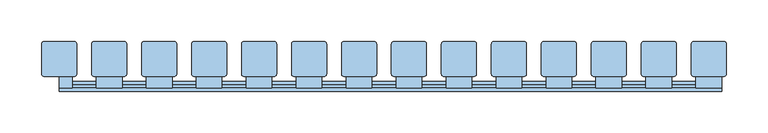
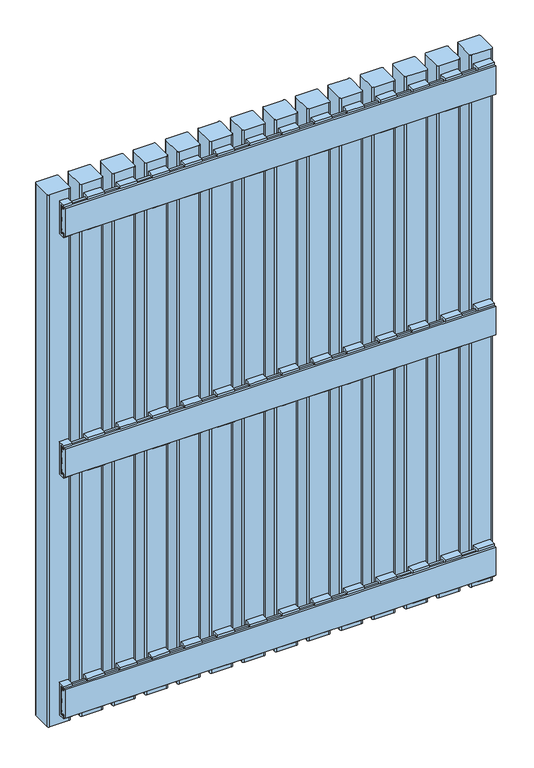
"""IFC4 building model written with IfcOpenShell, lengths in millimetres: window geometry."""

from ifc_helpers import new_model, si_unit, point, frame, frame_2d, origin, place, context, project, spatial, polyline, circle_curve, trimmed, segment, composite_curve, outline, extrude, source, transform, mapped, element, save


def window_754ff068(model_context):
    return source(origin(), model_context, "Body", "SweptSolid", [
        extrude(outline(polyline([(32.2, 646.5936804), (28.0, 646.5936804), (28.0, 642.5936804), (24.2, 642.5936804), (24.2, 650.5), (38.1, 650.5), (38.1, 587.5), (24.2, 587.5), (24.2, 595.4063196), (28.0, 595.4063196), (28.0, 591.4063196), (32.2, 591.4063196), (32.2, 646.5936804)])), frame((284.5, 0.0, 0.0), z_axis=(1.0, 0.0, 0.0), x_axis=(0.0, 1.0, 0.0)), (0.0, 0.0, 1.0), 31.0),
        extrude(outline(polyline([(32.1, 1060.9063196), (32.1, 1116.0936804), (27.9, 1116.0936804), (27.9, 1112.0936804), (24.1, 1112.0936804), (24.1, 1120.0), (38.0, 1120.0), (38.0, 1057.0), (24.1, 1057.0), (24.1, 1064.9063196), (27.9, 1064.9063196), (27.9, 1060.9063196), (32.1, 1060.9063196)])), frame((284.5, 0.0, 0.0), z_axis=(1.0, 0.0, 0.0), x_axis=(0.0, 1.0, 0.0)), (0.0, 0.0, 1.0), 31.0),
        extrude(outline(polyline([(32.1, 177.0936804), (27.9, 177.0936804), (27.9, 173.0936804), (24.1, 173.0936804), (24.1, 181.0), (38.0, 181.0), (38.0, 118.0), (24.1, 118.0), (24.1, 125.9063196), (27.9, 125.9063196), (27.9, 121.9063196), (32.1, 121.9063196), (32.1, 177.0936804)])), frame((284.5, 0.0, 0.0), z_axis=(1.0, 0.0, 0.0), x_axis=(0.0, 1.0, 0.0)), (0.0, 0.0, 1.0), 31.0),
        extrude(outline(polyline([(32.2, 646.5936804), (28.0, 646.5936804), (28.0, 642.5936804), (24.2, 642.5936804), (24.2, 650.5), (38.1, 650.5), (38.1, 587.5), (24.2, 587.5), (24.2, 595.4063196), (28.0, 595.4063196), (28.0, 591.4063196), (32.2, 591.4063196), (32.2, 646.5936804)])), frame((224.5, 0.0, 0.0), z_axis=(1.0, 0.0, 0.0), x_axis=(0.0, 1.0, 0.0)), (0.0, 0.0, 1.0), 31.0),
        extrude(outline(polyline([(32.1, 1060.9063196), (32.1, 1116.0936804), (27.9, 1116.0936804), (27.9, 1112.0936804), (24.1, 1112.0936804), (24.1, 1120.0), (38.0, 1120.0), (38.0, 1057.0), (24.1, 1057.0), (24.1, 1064.9063196), (27.9, 1064.9063196), (27.9, 1060.9063196), (32.1, 1060.9063196)])), frame((224.5, 0.0, 0.0), z_axis=(1.0, 0.0, 0.0), x_axis=(0.0, 1.0, 0.0)), (0.0, 0.0, 1.0), 31.0),
        extrude(outline(polyline([(32.1, 177.0936804), (27.9, 177.0936804), (27.9, 173.0936804), (24.1, 173.0936804), (24.1, 181.0), (38.0, 181.0), (38.0, 118.0), (24.1, 118.0), (24.1, 125.9063196), (27.9, 125.9063196), (27.9, 121.9063196), (32.1, 121.9063196), (32.1, 177.0936804)])), frame((224.5, 0.0, 0.0), z_axis=(1.0, 0.0, 0.0), x_axis=(0.0, 1.0, 0.0)), (0.0, 0.0, 1.0), 31.0),
        extrude(outline(polyline([(32.2, 646.5936804), (28.0, 646.5936804), (28.0, 642.5936804), (24.2, 642.5936804), (24.2, 650.5), (38.1, 650.5), (38.1, 587.5), (24.2, 587.5), (24.2, 595.4063196), (28.0, 595.4063196), (28.0, 591.4063196), (32.2, 591.4063196), (32.2, 646.5936804)])), frame((164.5, 0.0, 0.0), z_axis=(1.0, 0.0, 0.0), x_axis=(0.0, 1.0, 0.0)), (0.0, 0.0, 1.0), 31.0),
        extrude(outline(polyline([(32.1, 1060.9063196), (32.1, 1116.0936804), (27.9, 1116.0936804), (27.9, 1112.0936804), (24.1, 1112.0936804), (24.1, 1120.0), (38.0, 1120.0), (38.0, 1057.0), (24.1, 1057.0), (24.1, 1064.9063196), (27.9, 1064.9063196), (27.9, 1060.9063196), (32.1, 1060.9063196)])), frame((164.5, 0.0, 0.0), z_axis=(1.0, 0.0, 0.0), x_axis=(0.0, 1.0, 0.0)), (0.0, 0.0, 1.0), 31.0),
        extrude(outline(polyline([(32.1, 177.0936804), (27.9, 177.0936804), (27.9, 173.0936804), (24.1, 173.0936804), (24.1, 181.0), (38.0, 181.0), (38.0, 118.0), (24.1, 118.0), (24.1, 125.9063196), (27.9, 125.9063196), (27.9, 121.9063196), (32.1, 121.9063196), (32.1, 177.0936804)])), frame((164.5, 0.0, 0.0), z_axis=(1.0, 0.0, 0.0), x_axis=(0.0, 1.0, 0.0)), (0.0, 0.0, 1.0), 31.0),
        extrude(outline(polyline([(32.2, 646.5936804), (28.0, 646.5936804), (28.0, 642.5936804), (24.2, 642.5936804), (24.2, 650.5), (38.1, 650.5), (38.1, 587.5), (24.2, 587.5), (24.2, 595.4063196), (28.0, 595.4063196), (28.0, 591.4063196), (32.2, 591.4063196), (32.2, 646.5936804)])), frame((104.5, 0.0, 0.0), z_axis=(1.0, 0.0, 0.0), x_axis=(0.0, 1.0, 0.0)), (0.0, 0.0, 1.0), 31.0),
        extrude(outline(polyline([(32.1, 1060.9063196), (32.1, 1116.0936804), (27.9, 1116.0936804), (27.9, 1112.0936804), (24.1, 1112.0936804), (24.1, 1120.0), (38.0, 1120.0), (38.0, 1057.0), (24.1, 1057.0), (24.1, 1064.9063196), (27.9, 1064.9063196), (27.9, 1060.9063196), (32.1, 1060.9063196)])), frame((104.5, 0.0, 0.0), z_axis=(1.0, 0.0, 0.0), x_axis=(0.0, 1.0, 0.0)), (0.0, 0.0, 1.0), 31.0),
        extrude(outline(polyline([(32.1, 177.0936804), (27.9, 177.0936804), (27.9, 173.0936804), (24.1, 173.0936804), (24.1, 181.0), (38.0, 181.0), (38.0, 118.0), (24.1, 118.0), (24.1, 125.9063196), (27.9, 125.9063196), (27.9, 121.9063196), (32.1, 121.9063196), (32.1, 177.0936804)])), frame((104.5, 0.0, 0.0), z_axis=(1.0, 0.0, 0.0), x_axis=(0.0, 1.0, 0.0)), (0.0, 0.0, 1.0), 31.0),
        extrude(outline(polyline([(32.2, 646.5936804), (28.0, 646.5936804), (28.0, 642.5936804), (24.2, 642.5936804), (24.2, 650.5), (38.1, 650.5), (38.1, 587.5), (24.2, 587.5), (24.2, 595.4063196), (28.0, 595.4063196), (28.0, 591.4063196), (32.2, 591.4063196), (32.2, 646.5936804)])), frame((44.5, 0.0, 0.0), z_axis=(1.0, 0.0, 0.0), x_axis=(0.0, 1.0, 0.0)), (0.0, 0.0, 1.0), 31.0),
        extrude(outline(polyline([(32.1, 1060.9063196), (32.1, 1116.0936804), (27.9, 1116.0936804), (27.9, 1112.0936804), (24.1, 1112.0936804), (24.1, 1120.0), (38.0, 1120.0), (38.0, 1057.0), (24.1, 1057.0), (24.1, 1064.9063196), (27.9, 1064.9063196), (27.9, 1060.9063196), (32.1, 1060.9063196)])), frame((44.5, 0.0, 0.0), z_axis=(1.0, 0.0, 0.0), x_axis=(0.0, 1.0, 0.0)), (0.0, 0.0, 1.0), 31.0),
        extrude(outline(polyline([(32.1, 177.0936804), (27.9, 177.0936804), (27.9, 173.0936804), (24.1, 173.0936804), (24.1, 181.0), (38.0, 181.0), (38.0, 118.0), (24.1, 118.0), (24.1, 125.9063196), (27.9, 125.9063196), (27.9, 121.9063196), (32.1, 121.9063196), (32.1, 177.0936804)])), frame((44.5, 0.0, 0.0), z_axis=(1.0, 0.0, 0.0), x_axis=(0.0, 1.0, 0.0)), (0.0, 0.0, 1.0), 31.0),
        extrude(outline(polyline([(32.2, 646.5936804), (28.0, 646.5936804), (28.0, 642.5936804), (24.2, 642.5936804), (24.2, 650.5), (38.1, 650.5), (38.1, 587.5), (24.2, 587.5), (24.2, 595.4063196), (28.0, 595.4063196), (28.0, 591.4063196), (32.2, 591.4063196), (32.2, 646.5936804)])), frame((-15.5, 0.0, 0.0), z_axis=(1.0, 0.0, 0.0), x_axis=(0.0, 1.0, 0.0)), (0.0, 0.0, 1.0), 31.0),
        extrude(outline(polyline([(32.1, 1060.9063196), (32.1, 1116.0936804), (27.9, 1116.0936804), (27.9, 1112.0936804), (24.1, 1112.0936804), (24.1, 1120.0), (38.0, 1120.0), (38.0, 1057.0), (24.1, 1057.0), (24.1, 1064.9063196), (27.9, 1064.9063196), (27.9, 1060.9063196), (32.1, 1060.9063196)])), frame((-15.5, 0.0, 0.0), z_axis=(1.0, 0.0, 0.0), x_axis=(0.0, 1.0, 0.0)), (0.0, 0.0, 1.0), 31.0),
        extrude(outline(polyline([(32.1, 177.0936804), (27.9, 177.0936804), (27.9, 173.0936804), (24.1, 173.0936804), (24.1, 181.0), (38.0, 181.0), (38.0, 118.0), (24.1, 118.0), (24.1, 125.9063196), (27.9, 125.9063196), (27.9, 121.9063196), (32.1, 121.9063196), (32.1, 177.0936804)])), frame((-15.5, 0.0, 0.0), z_axis=(1.0, 0.0, 0.0), x_axis=(0.0, 1.0, 0.0)), (0.0, 0.0, 1.0), 31.0),
        extrude(outline(polyline([(32.2, 646.5936804), (28.0, 646.5936804), (28.0, 642.5936804), (24.2, 642.5936804), (24.2, 650.5), (38.1, 650.5), (38.1, 587.5), (24.2, 587.5), (24.2, 595.4063196), (28.0, 595.4063196), (28.0, 591.4063196), (32.2, 591.4063196), (32.2, 646.5936804)])), frame((-75.5, 0.0, 0.0), z_axis=(1.0, 0.0, 0.0), x_axis=(0.0, 1.0, 0.0)), (0.0, 0.0, 1.0), 31.0),
        extrude(outline(polyline([(32.1, 1060.9063196), (32.1, 1116.0936804), (27.9, 1116.0936804), (27.9, 1112.0936804), (24.1, 1112.0936804), (24.1, 1120.0), (38.0, 1120.0), (38.0, 1057.0), (24.1, 1057.0), (24.1, 1064.9063196), (27.9, 1064.9063196), (27.9, 1060.9063196), (32.1, 1060.9063196)])), frame((-75.5, 0.0, 0.0), z_axis=(1.0, 0.0, 0.0), x_axis=(0.0, 1.0, 0.0)), (0.0, 0.0, 1.0), 31.0),
        extrude(outline(polyline([(32.1, 177.0936804), (27.9, 177.0936804), (27.9, 173.0936804), (24.1, 173.0936804), (24.1, 181.0), (38.0, 181.0), (38.0, 118.0), (24.1, 118.0), (24.1, 125.9063196), (27.9, 125.9063196), (27.9, 121.9063196), (32.1, 121.9063196), (32.1, 177.0936804)])), frame((-75.5, 0.0, 0.0), z_axis=(1.0, 0.0, 0.0), x_axis=(0.0, 1.0, 0.0)), (0.0, 0.0, 1.0), 31.0),
        extrude(outline(polyline([(32.2, 646.5936804), (28.0, 646.5936804), (28.0, 642.5936804), (24.2, 642.5936804), (24.2, 650.5), (38.1, 650.5), (38.1, 587.5), (24.2, 587.5), (24.2, 595.4063196), (28.0, 595.4063196), (28.0, 591.4063196), (32.2, 591.4063196), (32.2, 646.5936804)])), frame((-135.5, 0.0, 0.0), z_axis=(1.0, 0.0, 0.0), x_axis=(0.0, 1.0, 0.0)), (0.0, 0.0, 1.0), 31.0),
        extrude(outline(polyline([(32.1, 1060.9063196), (32.1, 1116.0936804), (27.9, 1116.0936804), (27.9, 1112.0936804), (24.1, 1112.0936804), (24.1, 1120.0), (38.0, 1120.0), (38.0, 1057.0), (24.1, 1057.0), (24.1, 1064.9063196), (27.9, 1064.9063196), (27.9, 1060.9063196), (32.1, 1060.9063196)])), frame((-135.5, 0.0, 0.0), z_axis=(1.0, 0.0, 0.0), x_axis=(0.0, 1.0, 0.0)), (0.0, 0.0, 1.0), 31.0),
        extrude(outline(polyline([(32.1, 177.0936804), (27.9, 177.0936804), (27.9, 173.0936804), (24.1, 173.0936804), (24.1, 181.0), (38.0, 181.0), (38.0, 118.0), (24.1, 118.0), (24.1, 125.9063196), (27.9, 125.9063196), (27.9, 121.9063196), (32.1, 121.9063196), (32.1, 177.0936804)])), frame((-135.5, 0.0, 0.0), z_axis=(1.0, 0.0, 0.0), x_axis=(0.0, 1.0, 0.0)), (0.0, 0.0, 1.0), 31.0),
        extrude(outline(polyline([(32.2, 646.5936804), (28.0, 646.5936804), (28.0, 642.5936804), (24.2, 642.5936804), (24.2, 650.5), (38.1, 650.5), (38.1, 587.5), (24.2, 587.5), (24.2, 595.4063196), (28.0, 595.4063196), (28.0, 591.4063196), (32.2, 591.4063196), (32.2, 646.5936804)])), frame((-195.5, 0.0, 0.0), z_axis=(1.0, 0.0, 0.0), x_axis=(0.0, 1.0, 0.0)), (0.0, 0.0, 1.0), 31.0),
        extrude(outline(polyline([(32.1, 1060.9063196), (32.1, 1116.0936804), (27.9, 1116.0936804), (27.9, 1112.0936804), (24.1, 1112.0936804), (24.1, 1120.0), (38.0, 1120.0), (38.0, 1057.0), (24.1, 1057.0), (24.1, 1064.9063196), (27.9, 1064.9063196), (27.9, 1060.9063196), (32.1, 1060.9063196)])), frame((-195.5, 0.0, 0.0), z_axis=(1.0, 0.0, 0.0), x_axis=(0.0, 1.0, 0.0)), (0.0, 0.0, 1.0), 31.0),
        extrude(outline(polyline([(32.1, 177.0936804), (27.9, 177.0936804), (27.9, 173.0936804), (24.1, 173.0936804), (24.1, 181.0), (38.0, 181.0), (38.0, 118.0), (24.1, 118.0), (24.1, 125.9063196), (27.9, 125.9063196), (27.9, 121.9063196), (32.1, 121.9063196), (32.1, 177.0936804)])), frame((-195.5, 0.0, 0.0), z_axis=(1.0, 0.0, 0.0), x_axis=(0.0, 1.0, 0.0)), (0.0, 0.0, 1.0), 31.0),
        extrude(outline(polyline([(32.2, 646.5936804), (28.0, 646.5936804), (28.0, 642.5936804), (24.2, 642.5936804), (24.2, 650.5), (38.1, 650.5), (38.1, 587.5), (24.2, 587.5), (24.2, 595.4063196), (28.0, 595.4063196), (28.0, 591.4063196), (32.2, 591.4063196), (32.2, 646.5936804)])), frame((-255.5, 0.0, 0.0), z_axis=(1.0, 0.0, 0.0), x_axis=(0.0, 1.0, 0.0)), (0.0, 0.0, 1.0), 31.0),
        extrude(outline(polyline([(32.1, 1060.9063196), (32.1, 1116.0936804), (27.9, 1116.0936804), (27.9, 1112.0936804), (24.1, 1112.0936804), (24.1, 1120.0), (38.0, 1120.0), (38.0, 1057.0), (24.1, 1057.0), (24.1, 1064.9063196), (27.9, 1064.9063196), (27.9, 1060.9063196), (32.1, 1060.9063196)])), frame((-255.5, 0.0, 0.0), z_axis=(1.0, 0.0, 0.0), x_axis=(0.0, 1.0, 0.0)), (0.0, 0.0, 1.0), 31.0),
        extrude(outline(polyline([(32.1, 177.0936804), (27.9, 177.0936804), (27.9, 173.0936804), (24.1, 173.0936804), (24.1, 181.0), (38.0, 181.0), (38.0, 118.0), (24.1, 118.0), (24.1, 125.9063196), (27.9, 125.9063196), (27.9, 121.9063196), (32.1, 121.9063196), (32.1, 177.0936804)])), frame((-255.5, 0.0, 0.0), z_axis=(1.0, 0.0, 0.0), x_axis=(0.0, 1.0, 0.0)), (0.0, 0.0, 1.0), 31.0),
        extrude(outline(polyline([(32.2, 646.5936804), (28.0, 646.5936804), (28.0, 642.5936804), (24.2, 642.5936804), (24.2, 650.5), (38.1, 650.5), (38.1, 587.5), (24.2, 587.5), (24.2, 595.4063196), (28.0, 595.4063196), (28.0, 591.4063196), (32.2, 591.4063196), (32.2, 646.5936804)])), frame((-315.5, 0.0, 0.0), z_axis=(1.0, 0.0, 0.0), x_axis=(0.0, 1.0, 0.0)), (0.0, 0.0, 1.0), 31.0),
        extrude(outline(polyline([(32.1, 1060.9063196), (32.1, 1116.0936804), (27.9, 1116.0936804), (27.9, 1112.0936804), (24.1, 1112.0936804), (24.1, 1120.0), (38.0, 1120.0), (38.0, 1057.0), (24.1, 1057.0), (24.1, 1064.9063196), (27.9, 1064.9063196), (27.9, 1060.9063196), (32.1, 1060.9063196)])), frame((-315.5, 0.0, 0.0), z_axis=(1.0, 0.0, 0.0), x_axis=(0.0, 1.0, 0.0)), (0.0, 0.0, 1.0), 31.0),
        extrude(outline(polyline([(32.1, 177.0936804), (27.9, 177.0936804), (27.9, 173.0936804), (24.1, 173.0936804), (24.1, 181.0), (38.0, 181.0), (38.0, 118.0), (24.1, 118.0), (24.1, 125.9063196), (27.9, 125.9063196), (27.9, 121.9063196), (32.1, 121.9063196), (32.1, 177.0936804)])), frame((-315.5, 0.0, 0.0), z_axis=(1.0, 0.0, 0.0), x_axis=(0.0, 1.0, 0.0)), (0.0, 0.0, 1.0), 31.0),
        extrude(outline(polyline([(32.2, 646.5936804), (28.0, 646.5936804), (28.0, 642.5936804), (24.2, 642.5936804), (24.2, 650.5), (38.1, 650.5), (38.1, 587.5), (24.2, 587.5), (24.2, 595.4063196), (28.0, 595.4063196), (28.0, 591.4063196), (32.2, 591.4063196), (32.2, 646.5936804)])), frame((-375.5, 0.0, 0.0), z_axis=(1.0, 0.0, 0.0), x_axis=(0.0, 1.0, 0.0)), (0.0, 0.0, 1.0), 31.0),
        extrude(outline(polyline([(32.1, 1060.9063196), (32.1, 1116.0936804), (27.9, 1116.0936804), (27.9, 1112.0936804), (24.1, 1112.0936804), (24.1, 1120.0), (38.0, 1120.0), (38.0, 1057.0), (24.1, 1057.0), (24.1, 1064.9063196), (27.9, 1064.9063196), (27.9, 1060.9063196), (32.1, 1060.9063196)])), frame((-375.5, 0.0, 0.0), z_axis=(1.0, 0.0, 0.0), x_axis=(0.0, 1.0, 0.0)), (0.0, 0.0, 1.0), 31.0),
        extrude(outline(polyline([(32.1, 177.0936804), (27.9, 177.0936804), (27.9, 173.0936804), (24.1, 173.0936804), (24.1, 181.0), (38.0, 181.0), (38.0, 118.0), (24.1, 118.0), (24.1, 125.9063196), (27.9, 125.9063196), (27.9, 121.9063196), (32.1, 121.9063196), (32.1, 177.0936804)])), frame((-375.5, 0.0, 0.0), z_axis=(1.0, 0.0, 0.0), x_axis=(0.0, 1.0, 0.0)), (0.0, 0.0, 1.0), 31.0),
        extrude(outline(polyline([(32.2, 591.4063196), (32.2, 646.5936804), (28.0, 646.5936804), (28.0, 642.5936804), (24.2, 642.5936804), (24.2, 650.5), (38.1, 650.5), (38.1, 587.5), (24.2, 587.5), (24.2, 595.4063196), (28.0, 595.4063196), (28.0, 591.4063196), (32.2, 591.4063196)])), frame((344.5, 0.0, 0.0), z_axis=(1.0, 0.0, 0.0), x_axis=(0.0, 1.0, 0.0)), (0.0, 0.0, 1.0), 31.0),
        extrude(outline(polyline([(32.1, 1060.9063196), (32.1, 1116.0936804), (27.9, 1116.0936804), (27.9, 1112.0936804), (24.1, 1112.0936804), (24.1, 1120.0), (38.0, 1120.0), (38.0, 1057.0), (24.1, 1057.0), (24.1, 1064.9063196), (27.9, 1064.9063196), (27.9, 1060.9063196), (32.1, 1060.9063196)])), frame((344.5, 0.0, 0.0), z_axis=(1.0, 0.0, 0.0), x_axis=(0.0, 1.0, 0.0)), (0.0, 0.0, 1.0), 31.0),
        extrude(outline(polyline([(32.1, 177.0936804), (27.9, 177.0936804), (27.9, 173.0936804), (24.1, 173.0936804), (24.1, 181.0), (38.0, 181.0), (38.0, 118.0), (24.1, 118.0), (24.1, 125.9063196), (27.9, 125.9063196), (27.9, 121.9063196), (32.1, 121.9063196), (32.1, 177.0936804)])), frame((344.5, 0.0, 0.0), z_axis=(1.0, 0.0, 0.0), x_axis=(0.0, 1.0, 0.0)), (0.0, 0.0, 1.0), 31.0),
        extrude(outline(polyline([(32.2, 591.4063196), (32.2, 646.5936804), (28.0, 646.5936804), (28.0, 642.5936804), (24.2, 642.5936804), (24.2, 650.5), (38.1, 650.5), (38.1, 587.5), (24.2, 587.5), (24.2, 595.4063196), (28.0, 595.4063196), (28.0, 591.4063196), (32.2, 591.4063196)])), frame((-420.0378851, 0.0, 0.0), z_axis=(1.0, 0.0, 0.0), x_axis=(0.0, 1.0, 0.0)), (0.0, 0.0, 1.0), 15.5378851),
        extrude(outline(polyline([(32.1, 1060.9063196), (32.1, 1116.0936804), (27.9, 1116.0936804), (27.9, 1112.0936804), (24.1, 1112.0936804), (24.1, 1120.0), (38.0, 1120.0), (38.0, 1057.0), (24.1, 1057.0), (24.1, 1064.9063196), (27.9, 1064.9063196), (27.9, 1060.9063196), (32.1, 1060.9063196)])), frame((-420.0, 0.0, 0.0), z_axis=(1.0, 0.0, 0.0), x_axis=(0.0, 1.0, 0.0)), (0.0, 0.0, 1.0), 15.5),
        extrude(outline(polyline([(32.1, 177.0936804), (27.9, 177.0936804), (27.9, 173.0936804), (24.1, 173.0936804), (24.1, 181.0), (38.0, 181.0), (38.0, 118.0), (24.1, 118.0), (24.1, 125.9063196), (27.9, 125.9063196), (27.9, 121.9063196), (32.1, 121.9063196), (32.1, 177.0936804)])), frame((-420.0, 0.0, 0.0), z_axis=(1.0, 0.0, 0.0), x_axis=(0.0, 1.0, 0.0)), (0.0, 0.0, 1.0), 15.5),
        extrude(outline(polyline([(20.1, 646.5063196), (24.1, 646.5063196), (24.1, 642.5063196), (28.1, 642.5063196), (28.1, 646.5063196), (32.1, 646.5063196), (32.1, 641.5063196), (29.1, 641.5063196), (29.1, 636.5063196), (32.1, 636.5063196), (32.1, 624.0063196), (29.1, 624.0063196), (29.1, 614.0063196), (32.1, 614.0063196), (32.1, 601.5063196), (29.1, 601.5063196), (29.1, 596.5063196), (32.1, 596.5063196), (32.1, 591.5063196), (28.1, 591.5063196), (28.1, 595.5063196), (24.1, 595.5063196), (24.1, 591.5063196), (20.1, 591.5063196), (20.1, 646.5063196)])), frame((-420.0, 0.0, 0.0), z_axis=(1.0, 0.0, 0.0), x_axis=(0.0, 1.0, 0.0)), (0.0, 0.0, 1.0), 795.5),
        extrude(outline(polyline([(20.0, 1116.0), (24.0, 1116.0), (24.0, 1112.0), (28.0, 1112.0), (28.0, 1116.0), (32.0, 1116.0), (32.0, 1111.0), (29.0, 1111.0), (29.0, 1106.0), (32.0, 1106.0), (32.0, 1093.5), (29.0, 1093.5), (29.0, 1083.5), (32.0, 1083.5), (32.0, 1071.0), (29.0, 1071.0), (29.0, 1066.0), (32.0, 1066.0), (32.0, 1061.0), (28.0, 1061.0), (28.0, 1065.0), (24.0, 1065.0), (24.0, 1061.0), (20.0, 1061.0), (20.0, 1116.0)])), frame((-420.0, 0.0, 0.0), z_axis=(1.0, 0.0, 0.0), x_axis=(0.0, 1.0, 0.0)), (0.0, 0.0, 1.0), 795.5),
        extrude(outline(polyline([(20.0, 177.0), (24.0, 177.0), (24.0, 173.0), (28.0, 173.0), (28.0, 177.0), (32.0, 177.0), (32.0, 172.0), (29.0, 172.0), (29.0, 167.0), (32.0, 167.0), (32.0, 154.5), (29.0, 154.5), (29.0, 144.5), (32.0, 144.5), (32.0, 132.0), (29.0, 132.0), (29.0, 127.0), (32.0, 127.0), (32.0, 122.0), (28.0, 122.0), (28.0, 126.0), (24.0, 126.0), (24.0, 122.0), (20.0, 122.0), (20.0, 177.0)])), frame((-420.0, 0.0, 0.0), z_axis=(1.0, 0.0, 0.0), x_axis=(0.0, 1.0, 0.0)), (0.0, 0.0, 1.0), 795.5),
        extrude(outline(composite_curve([segment(polyline([(380.995806, 77.0), (380.995806, 41.0)]), True, "CONTINUOUS"), segment(trimmed(circle_curve(frame_2d((377.995806, 41.0)), 3.0), [point((380.995806, 41.0))], [point((377.995806, 38.0))], False, "CARTESIAN"), True, "CONTINUOUS"), segment(polyline([(377.995806, 38.0), (341.995806, 38.0)]), True, "CONTINUOUS"), segment(trimmed(circle_curve(frame_2d((341.995806, 41.0)), 3.0), [point((341.995806, 38.0))], [point((338.995806, 41.0))], False, "CARTESIAN"), True, "CONTINUOUS"), segment(polyline([(338.995806, 41.0), (338.995806, 77.0)]), True, "CONTINUOUS"), segment(trimmed(circle_curve(frame_2d((341.995806, 77.0)), 3.0), [point((338.995806, 77.0))], [point((341.995806, 80.0))], False, "CARTESIAN"), True, "CONTINUOUS"), segment(polyline([(341.995806, 80.0), (377.995806, 80.0)]), True, "CONTINUOUS"), segment(trimmed(circle_curve(frame_2d((377.995806, 77.0)), 3.0), [point((377.995806, 80.0))], [point((380.995806, 77.0))], False, "CARTESIAN"), True, "CONTINUOUS")], self_intersect=False)), frame((0.0, 0.0, 100.0), z_axis=(0.0, 0.0, 1.0), x_axis=(1.0, 0.0, 0.0)), (0.0, 0.0, 1.0), 1038.0),
        extrude(outline(composite_curve([segment(polyline([(320.995806, 77.0), (320.995806, 41.0)]), True, "CONTINUOUS"), segment(trimmed(circle_curve(frame_2d((317.995806, 41.0)), 3.0), [point((320.995806, 41.0))], [point((317.995806, 38.0))], False, "CARTESIAN"), True, "CONTINUOUS"), segment(polyline([(317.995806, 38.0), (281.995806, 38.0)]), True, "CONTINUOUS"), segment(trimmed(circle_curve(frame_2d((281.995806, 41.0)), 3.0), [point((281.995806, 38.0))], [point((278.995806, 41.0))], False, "CARTESIAN"), True, "CONTINUOUS"), segment(polyline([(278.995806, 41.0), (278.995806, 77.0)]), True, "CONTINUOUS"), segment(trimmed(circle_curve(frame_2d((281.995806, 77.0)), 3.0), [point((278.995806, 77.0))], [point((281.995806, 80.0))], False, "CARTESIAN"), True, "CONTINUOUS"), segment(polyline([(281.995806, 80.0), (317.995806, 80.0)]), True, "CONTINUOUS"), segment(trimmed(circle_curve(frame_2d((317.995806, 77.0)), 3.0), [point((317.995806, 80.0))], [point((320.995806, 77.0))], False, "CARTESIAN"), True, "CONTINUOUS")], self_intersect=False)), frame((0.0, 0.0, 100.0), z_axis=(0.0, 0.0, 1.0), x_axis=(1.0, 0.0, 0.0)), (0.0, 0.0, 1.0), 1038.0),
        extrude(outline(composite_curve([segment(polyline([(260.995806, 77.0), (260.995806, 41.0)]), True, "CONTINUOUS"), segment(trimmed(circle_curve(frame_2d((257.995806, 41.0)), 3.0), [point((260.995806, 41.0))], [point((257.995806, 38.0))], False, "CARTESIAN"), True, "CONTINUOUS"), segment(polyline([(257.995806, 38.0), (221.995806, 38.0)]), True, "CONTINUOUS"), segment(trimmed(circle_curve(frame_2d((221.995806, 41.0)), 3.0), [point((221.995806, 38.0))], [point((218.995806, 41.0))], False, "CARTESIAN"), True, "CONTINUOUS"), segment(polyline([(218.995806, 41.0), (218.995806, 77.0)]), True, "CONTINUOUS"), segment(trimmed(circle_curve(frame_2d((221.995806, 77.0)), 3.0), [point((218.995806, 77.0))], [point((221.995806, 80.0))], False, "CARTESIAN"), True, "CONTINUOUS"), segment(polyline([(221.995806, 80.0), (257.995806, 80.0)]), True, "CONTINUOUS"), segment(trimmed(circle_curve(frame_2d((257.995806, 77.0)), 3.0), [point((257.995806, 80.0))], [point((260.995806, 77.0))], False, "CARTESIAN"), True, "CONTINUOUS")], self_intersect=False)), frame((0.0, 0.0, 100.0), z_axis=(0.0, 0.0, 1.0), x_axis=(1.0, 0.0, 0.0)), (0.0, 0.0, 1.0), 1038.0),
        extrude(outline(composite_curve([segment(polyline([(200.995806, 77.0), (200.995806, 41.0)]), True, "CONTINUOUS"), segment(trimmed(circle_curve(frame_2d((197.995806, 41.0)), 3.0), [point((200.995806, 41.0))], [point((197.995806, 38.0))], False, "CARTESIAN"), True, "CONTINUOUS"), segment(polyline([(197.995806, 38.0), (161.995806, 38.0)]), True, "CONTINUOUS"), segment(trimmed(circle_curve(frame_2d((161.995806, 41.0)), 3.0), [point((161.995806, 38.0))], [point((158.995806, 41.0))], False, "CARTESIAN"), True, "CONTINUOUS"), segment(polyline([(158.995806, 41.0), (158.995806, 77.0)]), True, "CONTINUOUS"), segment(trimmed(circle_curve(frame_2d((161.995806, 77.0)), 3.0), [point((158.995806, 77.0))], [point((161.995806, 80.0))], False, "CARTESIAN"), True, "CONTINUOUS"), segment(polyline([(161.995806, 80.0), (197.995806, 80.0)]), True, "CONTINUOUS"), segment(trimmed(circle_curve(frame_2d((197.995806, 77.0)), 3.0), [point((197.995806, 80.0))], [point((200.995806, 77.0))], False, "CARTESIAN"), True, "CONTINUOUS")], self_intersect=False)), frame((0.0, 0.0, 100.0), z_axis=(0.0, 0.0, 1.0), x_axis=(1.0, 0.0, 0.0)), (0.0, 0.0, 1.0), 1038.0),
        extrude(outline(composite_curve([segment(polyline([(140.995806, 77.0), (140.995806, 41.0)]), True, "CONTINUOUS"), segment(trimmed(circle_curve(frame_2d((137.995806, 41.0)), 3.0), [point((140.995806, 41.0))], [point((137.995806, 38.0))], False, "CARTESIAN"), True, "CONTINUOUS"), segment(polyline([(137.995806, 38.0), (101.995806, 38.0)]), True, "CONTINUOUS"), segment(trimmed(circle_curve(frame_2d((101.995806, 41.0)), 3.0), [point((101.995806, 38.0))], [point((98.995806, 41.0))], False, "CARTESIAN"), True, "CONTINUOUS"), segment(polyline([(98.995806, 41.0), (98.995806, 77.0)]), True, "CONTINUOUS"), segment(trimmed(circle_curve(frame_2d((101.995806, 77.0)), 3.0), [point((98.995806, 77.0))], [point((101.995806, 80.0))], False, "CARTESIAN"), True, "CONTINUOUS"), segment(polyline([(101.995806, 80.0), (137.995806, 80.0)]), True, "CONTINUOUS"), segment(trimmed(circle_curve(frame_2d((137.995806, 77.0)), 3.0), [point((137.995806, 80.0))], [point((140.995806, 77.0))], False, "CARTESIAN"), True, "CONTINUOUS")], self_intersect=False)), frame((0.0, 0.0, 100.0), z_axis=(0.0, 0.0, 1.0), x_axis=(1.0, 0.0, 0.0)), (0.0, 0.0, 1.0), 1038.0),
        extrude(outline(composite_curve([segment(polyline([(80.995806, 77.0), (80.995806, 41.0)]), True, "CONTINUOUS"), segment(trimmed(circle_curve(frame_2d((77.995806, 41.0)), 3.0), [point((80.995806, 41.0))], [point((77.995806, 38.0))], False, "CARTESIAN"), True, "CONTINUOUS"), segment(polyline([(77.995806, 38.0), (41.995806, 38.0)]), True, "CONTINUOUS"), segment(trimmed(circle_curve(frame_2d((41.995806, 41.0)), 3.0), [point((41.995806, 38.0))], [point((38.995806, 41.0))], False, "CARTESIAN"), True, "CONTINUOUS"), segment(polyline([(38.995806, 41.0), (38.995806, 77.0)]), True, "CONTINUOUS"), segment(trimmed(circle_curve(frame_2d((41.995806, 77.0)), 3.0), [point((38.995806, 77.0))], [point((41.995806, 80.0))], False, "CARTESIAN"), True, "CONTINUOUS"), segment(polyline([(41.995806, 80.0), (77.995806, 80.0)]), True, "CONTINUOUS"), segment(trimmed(circle_curve(frame_2d((77.995806, 77.0)), 3.0), [point((77.995806, 80.0))], [point((80.995806, 77.0))], False, "CARTESIAN"), True, "CONTINUOUS")], self_intersect=False)), frame((0.0, 0.0, 100.0), z_axis=(0.0, 0.0, 1.0), x_axis=(1.0, 0.0, 0.0)), (0.0, 0.0, 1.0), 1038.0),
        extrude(outline(composite_curve([segment(polyline([(20.995806, 77.0), (20.995806, 41.0)]), True, "CONTINUOUS"), segment(trimmed(circle_curve(frame_2d((17.995806, 41.0)), 3.0), [point((20.995806, 41.0))], [point((17.995806, 38.0))], False, "CARTESIAN"), True, "CONTINUOUS"), segment(polyline([(17.995806, 38.0), (-18.004194, 38.0)]), True, "CONTINUOUS"), segment(trimmed(circle_curve(frame_2d((-18.004194, 41.0)), 3.0), [point((-18.004194, 38.0))], [point((-21.004194, 41.0))], False, "CARTESIAN"), True, "CONTINUOUS"), segment(polyline([(-21.004194, 41.0), (-21.004194, 77.0)]), True, "CONTINUOUS"), segment(trimmed(circle_curve(frame_2d((-18.004194, 77.0)), 3.0), [point((-21.004194, 77.0))], [point((-18.004194, 80.0))], False, "CARTESIAN"), True, "CONTINUOUS"), segment(polyline([(-18.004194, 80.0), (17.995806, 80.0)]), True, "CONTINUOUS"), segment(trimmed(circle_curve(frame_2d((17.995806, 77.0)), 3.0), [point((17.995806, 80.0))], [point((20.995806, 77.0))], False, "CARTESIAN"), True, "CONTINUOUS")], self_intersect=False)), frame((0.0, 0.0, 100.0), z_axis=(0.0, 0.0, 1.0), x_axis=(1.0, 0.0, 0.0)), (0.0, 0.0, 1.0), 1038.0),
        extrude(outline(composite_curve([segment(polyline([(-39.004194, 77.0), (-39.004194, 41.0)]), True, "CONTINUOUS"), segment(trimmed(circle_curve(frame_2d((-42.004194, 41.0)), 3.0), [point((-39.004194, 41.0))], [point((-42.004194, 38.0))], False, "CARTESIAN"), True, "CONTINUOUS"), segment(polyline([(-42.004194, 38.0), (-78.004194, 38.0)]), True, "CONTINUOUS"), segment(trimmed(circle_curve(frame_2d((-78.004194, 41.0)), 3.0), [point((-78.004194, 38.0))], [point((-81.004194, 41.0))], False, "CARTESIAN"), True, "CONTINUOUS"), segment(polyline([(-81.004194, 41.0), (-81.004194, 77.0)]), True, "CONTINUOUS"), segment(trimmed(circle_curve(frame_2d((-78.004194, 77.0)), 3.0), [point((-81.004194, 77.0))], [point((-78.004194, 80.0))], False, "CARTESIAN"), True, "CONTINUOUS"), segment(polyline([(-78.004194, 80.0), (-42.004194, 80.0)]), True, "CONTINUOUS"), segment(trimmed(circle_curve(frame_2d((-42.004194, 77.0)), 3.0), [point((-42.004194, 80.0))], [point((-39.004194, 77.0))], False, "CARTESIAN"), True, "CONTINUOUS")], self_intersect=False)), frame((0.0, 0.0, 100.0), z_axis=(0.0, 0.0, 1.0), x_axis=(1.0, 0.0, 0.0)), (0.0, 0.0, 1.0), 1038.0),
        extrude(outline(composite_curve([segment(polyline([(-99.004194, 77.0), (-99.004194, 41.0)]), True, "CONTINUOUS"), segment(trimmed(circle_curve(frame_2d((-102.004194, 41.0)), 3.0), [point((-99.004194, 41.0))], [point((-102.004194, 38.0))], False, "CARTESIAN"), True, "CONTINUOUS"), segment(polyline([(-102.004194, 38.0), (-138.004194, 38.0)]), True, "CONTINUOUS"), segment(trimmed(circle_curve(frame_2d((-138.004194, 41.0)), 3.0), [point((-138.004194, 38.0))], [point((-141.004194, 41.0))], False, "CARTESIAN"), True, "CONTINUOUS"), segment(polyline([(-141.004194, 41.0), (-141.004194, 77.0)]), True, "CONTINUOUS"), segment(trimmed(circle_curve(frame_2d((-138.004194, 77.0)), 3.0), [point((-141.004194, 77.0))], [point((-138.004194, 80.0))], False, "CARTESIAN"), True, "CONTINUOUS"), segment(polyline([(-138.004194, 80.0), (-102.004194, 80.0)]), True, "CONTINUOUS"), segment(trimmed(circle_curve(frame_2d((-102.004194, 77.0)), 3.0), [point((-102.004194, 80.0))], [point((-99.004194, 77.0))], False, "CARTESIAN"), True, "CONTINUOUS")], self_intersect=False)), frame((0.0, 0.0, 100.0), z_axis=(0.0, 0.0, 1.0), x_axis=(1.0, 0.0, 0.0)), (0.0, 0.0, 1.0), 1038.0),
        extrude(outline(composite_curve([segment(polyline([(-159.004194, 77.0), (-159.004194, 41.0)]), True, "CONTINUOUS"), segment(trimmed(circle_curve(frame_2d((-162.004194, 41.0)), 3.0), [point((-159.004194, 41.0))], [point((-162.004194, 38.0))], False, "CARTESIAN"), True, "CONTINUOUS"), segment(polyline([(-162.004194, 38.0), (-198.004194, 38.0)]), True, "CONTINUOUS"), segment(trimmed(circle_curve(frame_2d((-198.004194, 41.0)), 3.0), [point((-198.004194, 38.0))], [point((-201.004194, 41.0))], False, "CARTESIAN"), True, "CONTINUOUS"), segment(polyline([(-201.004194, 41.0), (-201.004194, 77.0)]), True, "CONTINUOUS"), segment(trimmed(circle_curve(frame_2d((-198.004194, 77.0)), 3.0), [point((-201.004194, 77.0))], [point((-198.004194, 80.0))], False, "CARTESIAN"), True, "CONTINUOUS"), segment(polyline([(-198.004194, 80.0), (-162.004194, 80.0)]), True, "CONTINUOUS"), segment(trimmed(circle_curve(frame_2d((-162.004194, 77.0)), 3.0), [point((-162.004194, 80.0))], [point((-159.004194, 77.0))], False, "CARTESIAN"), True, "CONTINUOUS")], self_intersect=False)), frame((0.0, 0.0, 100.0), z_axis=(0.0, 0.0, 1.0), x_axis=(1.0, 0.0, 0.0)), (0.0, 0.0, 1.0), 1038.0),
        extrude(outline(composite_curve([segment(polyline([(-219.004194, 77.0), (-219.004194, 41.0)]), True, "CONTINUOUS"), segment(trimmed(circle_curve(frame_2d((-222.004194, 41.0)), 3.0), [point((-219.004194, 41.0))], [point((-222.004194, 38.0))], False, "CARTESIAN"), True, "CONTINUOUS"), segment(polyline([(-222.004194, 38.0), (-258.004194, 38.0)]), True, "CONTINUOUS"), segment(trimmed(circle_curve(frame_2d((-258.004194, 41.0)), 3.0), [point((-258.004194, 38.0))], [point((-261.004194, 41.0))], False, "CARTESIAN"), True, "CONTINUOUS"), segment(polyline([(-261.004194, 41.0), (-261.004194, 77.0)]), True, "CONTINUOUS"), segment(trimmed(circle_curve(frame_2d((-258.004194, 77.0)), 3.0), [point((-261.004194, 77.0))], [point((-258.004194, 80.0))], False, "CARTESIAN"), True, "CONTINUOUS"), segment(polyline([(-258.004194, 80.0), (-222.004194, 80.0)]), True, "CONTINUOUS"), segment(trimmed(circle_curve(frame_2d((-222.004194, 77.0)), 3.0), [point((-222.004194, 80.0))], [point((-219.004194, 77.0))], False, "CARTESIAN"), True, "CONTINUOUS")], self_intersect=False)), frame((0.0, 0.0, 100.0), z_axis=(0.0, 0.0, 1.0), x_axis=(1.0, 0.0, 0.0)), (0.0, 0.0, 1.0), 1038.0),
        extrude(outline(composite_curve([segment(polyline([(-279.004194, 77.0), (-279.004194, 41.0)]), True, "CONTINUOUS"), segment(trimmed(circle_curve(frame_2d((-282.004194, 41.0)), 3.0), [point((-279.004194, 41.0))], [point((-282.004194, 38.0))], False, "CARTESIAN"), True, "CONTINUOUS"), segment(polyline([(-282.004194, 38.0), (-318.004194, 38.0)]), True, "CONTINUOUS"), segment(trimmed(circle_curve(frame_2d((-318.004194, 41.0)), 3.0), [point((-318.004194, 38.0))], [point((-321.004194, 41.0))], False, "CARTESIAN"), True, "CONTINUOUS"), segment(polyline([(-321.004194, 41.0), (-321.004194, 77.0)]), True, "CONTINUOUS"), segment(trimmed(circle_curve(frame_2d((-318.004194, 77.0)), 3.0), [point((-321.004194, 77.0))], [point((-318.004194, 80.0))], False, "CARTESIAN"), True, "CONTINUOUS"), segment(polyline([(-318.004194, 80.0), (-282.004194, 80.0)]), True, "CONTINUOUS"), segment(trimmed(circle_curve(frame_2d((-282.004194, 77.0)), 3.0), [point((-282.004194, 80.0))], [point((-279.004194, 77.0))], False, "CARTESIAN"), True, "CONTINUOUS")], self_intersect=False)), frame((0.0, 0.0, 100.0), z_axis=(0.0, 0.0, 1.0), x_axis=(1.0, 0.0, 0.0)), (0.0, 0.0, 1.0), 1038.0),
        extrude(outline(composite_curve([segment(polyline([(-339.004194, 77.0), (-339.004194, 41.0)]), True, "CONTINUOUS"), segment(trimmed(circle_curve(frame_2d((-342.004194, 41.0)), 3.0), [point((-339.004194, 41.0))], [point((-342.004194, 38.0))], False, "CARTESIAN"), True, "CONTINUOUS"), segment(polyline([(-342.004194, 38.0), (-378.004194, 38.0)]), True, "CONTINUOUS"), segment(trimmed(circle_curve(frame_2d((-378.004194, 41.0)), 3.0), [point((-378.004194, 38.0))], [point((-381.004194, 41.0))], False, "CARTESIAN"), True, "CONTINUOUS"), segment(polyline([(-381.004194, 41.0), (-381.004194, 77.0)]), True, "CONTINUOUS"), segment(trimmed(circle_curve(frame_2d((-378.004194, 77.0)), 3.0), [point((-381.004194, 77.0))], [point((-378.004194, 80.0))], False, "CARTESIAN"), True, "CONTINUOUS"), segment(polyline([(-378.004194, 80.0), (-342.004194, 80.0)]), True, "CONTINUOUS"), segment(trimmed(circle_curve(frame_2d((-342.004194, 77.0)), 3.0), [point((-342.004194, 80.0))], [point((-339.004194, 77.0))], False, "CARTESIAN"), True, "CONTINUOUS")], self_intersect=False)), frame((0.0, 0.0, 100.0), z_axis=(0.0, 0.0, 1.0), x_axis=(1.0, 0.0, 0.0)), (0.0, 0.0, 1.0), 1038.0),
        extrude(outline(composite_curve([segment(polyline([(-399.0, 77.0), (-399.0, 41.0)]), True, "CONTINUOUS"), segment(trimmed(circle_curve(frame_2d((-402.0, 41.0)), 3.0), [point((-399.0, 41.0))], [point((-402.0, 38.0))], False, "CARTESIAN"), True, "CONTINUOUS"), segment(polyline([(-402.0, 38.0), (-438.0, 38.0)]), True, "CONTINUOUS"), segment(trimmed(circle_curve(frame_2d((-438.0, 41.0)), 3.0), [point((-438.0, 38.0))], [point((-441.0, 41.0))], False, "CARTESIAN"), True, "CONTINUOUS"), segment(polyline([(-441.0, 41.0), (-441.0, 77.0)]), True, "CONTINUOUS"), segment(trimmed(circle_curve(frame_2d((-438.0, 77.0)), 3.0), [point((-441.0, 77.0))], [point((-438.0, 80.0))], False, "CARTESIAN"), True, "CONTINUOUS"), segment(polyline([(-438.0, 80.0), (-402.0, 80.0)]), True, "CONTINUOUS"), segment(trimmed(circle_curve(frame_2d((-402.0, 77.0)), 3.0), [point((-402.0, 80.0))], [point((-399.0, 77.0))], False, "CARTESIAN"), True, "CONTINUOUS")], self_intersect=False)), frame((0.0, 0.0, 100.0), z_axis=(0.0, 0.0, 1.0), x_axis=(1.0, 0.0, 0.0)), (0.0, 0.0, 1.0), 1038.0),
    ])


if __name__ == "__main__":
    model = new_model("IFC4")
    model_context = context("Model", 3, world=origin())
    ifc_project = project(units=[si_unit("LENGTHUNIT", "METRE", prefix="MILLI")], contexts=[model_context])
    site = spatial("IfcSite", under=ifc_project)
    building = spatial("IfcBuilding", under=site)
    placement = place(None, origin())
    window_shape = window_754ff068(model_context)
    element("IfcWindow", 1, at=placement, inside=building, context=model_context, shape_type="MappedRepresentation", body=[
        mapped(window_shape, transform((0.0, 0.0, 0.0), x_axis=(1.0, 0.0, 0.0), y_axis=(0.0, 1.0, 0.0), z_axis=(0.0, 0.0, 1.0))),
    ])
    save(model, "model.ifc")
